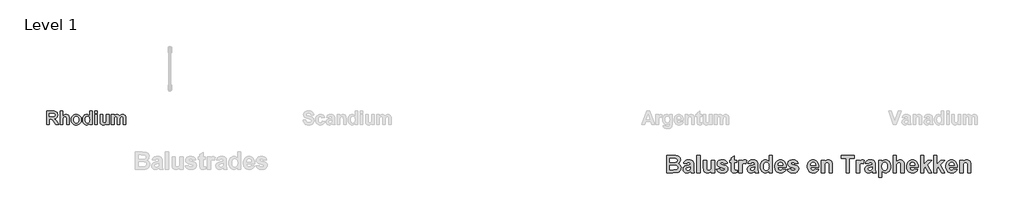
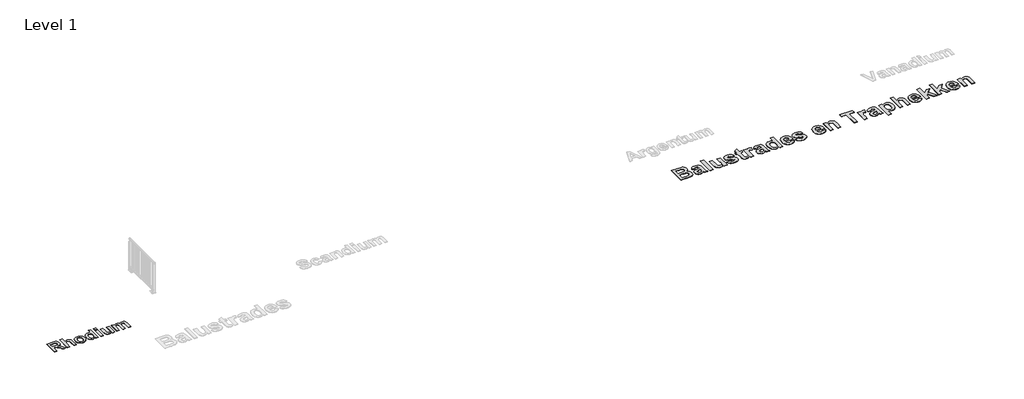
# One storey, part 11 of 20: 2 proxies.
"""IFC4 building model written with IfcOpenShell, lengths in millimetres."""

import ifcopenshell
import ifcopenshell.guid

model = None  # the IFC model being written
_history = None  # IfcOwnerHistory: only IFC2X3 demands one
_inside = {}  # id of a spatial element -> (the spatial element, [elements in it])
_under = {}  # id of a project, library or spatial element -> (it, [spatial elements below it])
_declared = {}  # id of a project -> (the project, [libraries it declares])
_typed = {}  # id of a type object -> (the type object, [elements of that type])
_made_of = {}  # id of a material, layer set ... -> (it, [elements and type objects made of it])


def new_model(schema):
    """Start an empty IFC model of exactly this schema.

    Asked for "IFC4X3", IfcOpenShell would pick the latest addendum, in which some entities
    have other attributes; the version numbers below select the first issue.
    IFC2X3 requires an IfcOwnerHistory on every rooted entity: one is made here for all.
    """
    global model, _history
    if schema == "IFC4X3":
        model = ifcopenshell.file(schema_version=(4, 3, 0, 0))
    else:
        model = ifcopenshell.file(schema=schema)
    _inside.clear()
    _under.clear()
    _declared.clear()
    _typed.clear()
    _made_of.clear()
    _history = None
    if model.schema == "IFC2X3":
        org = make("IfcOrganization", Name="unknown")
        user = make(
            "IfcPersonAndOrganization",
            ThePerson=make("IfcPerson", FamilyName="unknown"),
            TheOrganization=org,
        )
        app = make(
            "IfcApplication",
            ApplicationDeveloper=org,
            Version="unknown",
            ApplicationFullName="unknown",
            ApplicationIdentifier="unknown",
        )
        _history = make(
            "IfcOwnerHistory",
            OwningUser=user,
            OwningApplication=app,
            ChangeAction="ADDED",
            CreationDate=0,
        )
    return model


def make(cls, **values):
    """One entity of the class cls with the attributes given. An attribute that is None is left unset."""
    return model.create_entity(
        cls, **{name: value for name, value in values.items() if value is not None}
    )


def rooted(cls, **values):
    """An entity with a GlobalId (a new one), such as an element, a storey or a relation."""
    return make(cls, GlobalId=ifcopenshell.guid.new(), OwnerHistory=_history, **values)


def si_unit(unit_type, name, prefix=None):
    """IfcSIUnit, for example si_unit("LENGTHUNIT", "METRE", prefix="MILLI")."""
    return make("IfcSIUnit", UnitType=unit_type, Prefix=prefix, Name=name)


def assignment(units):
    """IfcUnitAssignment: the units of a project."""
    return None if units is None else make("IfcUnitAssignment", Units=units)


def point(xyz):
    """IfcCartesianPoint."""
    return None if xyz is None else make("IfcCartesianPoint", Coordinates=xyz)


def direction(xyz):
    """IfcDirection."""
    return None if xyz is None else make("IfcDirection", DirectionRatios=xyz)


def frame(location, z_axis=None, x_axis=None):
    """IfcAxis2Placement3D, a coordinate frame: its origin and axes. An axis left out is left unset."""
    return make(
        "IfcAxis2Placement3D",
        Location=point(location),
        Axis=direction(z_axis),
        RefDirection=direction(x_axis),
    )


def origin():
    """The frame at (0, 0, 0) with its axes left unset."""
    return frame((0.0, 0.0, 0.0))


def origin_with_axes():
    """The frame at (0, 0, 0) with the z axis (0, 0, 1) and the x axis (1, 0, 0) written out."""
    return frame((0.0, 0.0, 0.0), z_axis=(0.0, 0.0, 1.0), x_axis=(1.0, 0.0, 0.0))


def place(relative_to, where):
    """IfcLocalPlacement: puts the frame where relative to a parent placement (None: the world)."""
    return make(
        "IfcLocalPlacement", PlacementRelTo=relative_to, RelativePlacement=where
    )


def context(
    kind, dimensions, precision=None, world=None, true_north=None, identifier=None
):
    """IfcGeometricRepresentationContext, for example the 3D "Model" context."""
    return make(
        "IfcGeometricRepresentationContext",
        ContextIdentifier=identifier,
        ContextType=kind,
        CoordinateSpaceDimension=dimensions,
        Precision=precision,
        WorldCoordinateSystem=world,
        TrueNorth=true_north,
    )


def project(units=None, contexts=None):
    """IfcProject with its units and contexts."""
    return rooted(
        "IfcProject",
        Name="project",
        RepresentationContexts=contexts,
        UnitsInContext=assignment(units),
    )


def spatial(cls, under=None, at=None, **own):
    """A site, building, storey or space (cls), placed at a placement, below another one or the project."""
    s = rooted(cls, ObjectPlacement=at, **own)
    if under is not None:
        _under.setdefault(under.id(), (under, []))[1].append(s)
    return s


def polyline(points):
    """IfcPolyline through the points."""
    return make("IfcPolyline", Points=[point(p) for p in points])


def outline(outer, holes=None, kind="AREA"):
    """IfcArbitraryClosedProfileDef: a profile drawn as a closed curve; with holes, ...WithVoids."""
    if holes is None:
        return make("IfcArbitraryClosedProfileDef", ProfileType=kind, OuterCurve=outer)
    return make(
        "IfcArbitraryProfileDefWithVoids",
        ProfileType=kind,
        OuterCurve=outer,
        InnerCurves=holes,
    )


def extrude(swept, where, along, depth):
    """IfcExtrudedAreaSolid: the profile swept, set in the frame where, extruded along a direction by depth."""
    return make(
        "IfcExtrudedAreaSolid",
        SweptArea=swept,
        Position=where,
        ExtrudedDirection=direction(along),
        Depth=depth,
    )


def shape(context_of_items, identifier, shape_type, items):
    """IfcShapeRepresentation: the items that make up one representation, for example the "Body"."""
    return make(
        "IfcShapeRepresentation",
        ContextOfItems=context_of_items,
        RepresentationIdentifier=identifier,
        RepresentationType=shape_type,
        Items=items,
    )


def made_of(thing, what):
    """Note that an element or type object is made of a material, layer set ...; save() writes the relation."""
    if what is not None:
        _made_of.setdefault(what.id(), (what, []))[1].append(thing)
    return thing


def element(
    cls,
    number,
    at=None,
    inside=None,
    cuts=None,
    type_object=None,
    material=None,
    context=None,
    identifier="Body",
    shape_type=None,
    held_by="IfcProductDefinitionShape",
    body=None,
    shapes=None,
    **own,
):
    """One element of the class cls, such as IfcWall. Its Tag is "e" and its number.

    at: its placement. inside: the storey or other place that contains it. cuts: it is an
    opening in that element (IfcRelVoidsElement). A single representation is given by context,
    identifier, shape_type and body (its items); several are given by shapes. held_by: the class
    of the entity that holds the representations. save() writes the other relations.
    """
    e = rooted(cls, Tag="e%d" % number, ObjectPlacement=at, **own)
    if body is not None:
        shapes = [shape(context, identifier, shape_type, body)]
    if shapes is not None:
        e.Representation = make(held_by, Representations=shapes)
    if inside is not None:
        _inside.setdefault(inside.id(), (inside, []))[1].append(e)
    if cuts is not None:
        rooted(
            "IfcRelVoidsElement", RelatingBuildingElement=cuts, RelatedOpeningElement=e
        )
    if type_object is not None:
        _typed.setdefault(type_object.id(), (type_object, []))[1].append(e)
    return made_of(e, material)


def aggregate(whole, parts):
    """IfcRelAggregates: a whole, such as a stair, and the parts it consists of."""
    return rooted("IfcRelAggregates", RelatingObject=whole, RelatedObjects=parts)


def save(model, path):
    """Write the relations noted so far, then the file.

    IfcRelAggregates (storeys below a building ...), IfcRelContainedInSpatialStructure (elements
    in a storey), IfcRelDefinesByType, IfcRelAssociatesMaterial and IfcRelDeclares: one each for
    every whole, place, type object, material and project.
    """
    for whole, parts in _under.values():
        aggregate(whole, parts)
    for where, things in _inside.values():
        rooted(
            "IfcRelContainedInSpatialStructure",
            RelatedElements=things,
            RelatingStructure=where,
        )
    for kind, things in _typed.values():
        rooted("IfcRelDefinesByType", RelatedObjects=things, RelatingType=kind)
    for what, things in _made_of.values():
        rooted("IfcRelAssociatesMaterial", RelatedObjects=things, RelatingMaterial=what)
    for by, libraries in _declared.values():
        rooted("IfcRelDeclares", RelatingContext=by, RelatedDefinitions=libraries)
    model.write(path)


model = new_model("IFC4")

# Units and contexts
model_context = context("Model", 3, world=origin())
ifc_project = project(units=[si_unit("LENGTHUNIT", "METRE", prefix="MILLI")], contexts=[model_context])

# Site, building, storey
site = spatial("IfcSite", under=ifc_project)
building = spatial("IfcBuilding", under=site)
storey = spatial("IfcBuildingStorey", under=building, Name="Level 1", Elevation=0.0)

# Proxies
placement = place(None, origin())
element("IfcBuildingElementProxy", 1, Name="400mm", ObjectType="400mm", at=placement, inside=storey, context=model_context, shape_type="SweptSolid", body=[
    extrude(outline(polyline([(3664.8313524, -15738.0938306), (3664.8313524, -15338.0938306), (3833.0853206, -15338.0938306), (3887.8968285, -15340.7972036), (3925.3472254, -15348.9073226), (3951.2400825, -15363.9370845), (3971.3789714, -15387.3993861), (3984.3254, -15417.0868861), (3988.6408762, -15450.7922433), (3987.0814764, -15472.4254278), (3982.403277, -15492.0868861), (3974.6062779, -15509.7766183), (3963.6904793, -15525.4946242), (3949.6682819, -15538.8626798), (3932.5520865, -15549.5025607), (3912.341893, -15557.4142671), (3889.0377016, -15562.5977988), (3911.1359158, -15578.5204179), (3929.0178603, -15595.9311322), (3947.5198444, -15621.1543464), (3971.4781778, -15660.5144655), (4020.3869079, -15738.0938306), (3931.3988127, -15738.0938306), (3873.4623047, -15646.7247829), (3827.9761936, -15592.5085131), (3815.3521857, -15583.0963107), (3801.9841301, -15577.1811322), (3758.482146, -15573.0144655), (3741.0218285, -15573.0144655), (3741.0218285, -15738.0938306), (3664.8313524, -15738.0938306)]), holes=[polyline([(3741.0218285, -15503.1731956), (3803.8194476, -15503.1731956), (3853.3854198, -15502.0199218), (3880.059527, -15498.5601004), (3893.6259952, -15492.2852988), (3903.8690508, -15482.6870845), (3910.3050627, -15470.0258742), (3912.4504, -15454.5620845), (3909.623019, -15437.4365885), (3901.1408762, -15423.9569258), (3887.5000031, -15414.4455171), (3869.1964317, -15409.2247829), (3807.2916698, -15407.9351004), (3741.0218285, -15407.9351004), (3741.0218285, -15503.1731956)])]), origin_with_axes(), (0.0, 0.0, 1.0), 5.0),
    extrude(outline(polyline([(4141.0218285, -15338.0938306), (4141.0218285, -15482.9351004), (4160.1624535, -15464.0114893), (4181.076392, -15450.4946242), (4203.763644, -15442.3845052), (4228.2242095, -15439.6811322), (4253.0257968, -15442.1488901), (4275.248019, -15449.5521639), (4293.6011936, -15460.8120845), (4306.7956381, -15474.8497829), (4315.7242095, -15491.0824218), (4321.2797651, -15508.9271639), (4325.1488127, -15566.8636718), (4325.1488127, -15738.0938306), (4248.9583365, -15738.0938306), (4248.9583365, -15582.7366877), (4247.8918682, -15544.8770647), (4244.6924635, -15523.9569258), (4238.7896857, -15512.7838107), (4229.6130984, -15504.1652591), (4217.4603206, -15498.6593068), (4202.6289714, -15496.8239893), (4184.9702412, -15499.1801401), (4169.2956381, -15506.2485925), (4156.5848246, -15518.054148), (4147.8174635, -15534.6216083), (4142.7207373, -15558.1335131), (4141.0218285, -15590.772402), (4141.0218285, -15738.0938306), (4064.8313524, -15738.0938306), (4064.8313524, -15338.0938306), (4141.0218285, -15338.0938306)])), origin_with_axes(), (0.0, 0.0, 1.0), 5.0),
    extrude(outline(polyline([(4382.2916698, -15587.8954179), (4386.9915706, -15550.1101996), (4401.091273, -15513.5402591), (4423.7971262, -15481.8314298), (4454.3154793, -15458.6295449), (4490.7490111, -15444.4182353), (4531.2004, -15439.6811322), (4562.5527065, -15442.365904), (4590.935023, -15450.4202195), (4616.3473494, -15463.8440786), (4638.7896857, -15482.6374814), (4657.1273593, -15505.5355468), (4670.2256976, -15531.2733941), (4678.0847006, -15559.851023), (4680.7043682, -15591.2684337), (4678.0567988, -15622.9369605), (4670.1140904, -15651.771906), (4656.8762432, -15677.77327), (4638.3432571, -15700.9410528), (4615.7986143, -15719.9731708), (4590.5257968, -15733.5675409), (4562.5248047, -15741.7241629), (4531.7956381, -15744.4430369), (4492.9439516, -15739.9167472), (4455.9523841, -15726.3378782), (4424.2063524, -15704.0040488), (4401.091273, -15673.2128782), (4386.9915706, -15634.3735925), (4382.2916698, -15587.8954179)]), holes=[polyline([(4458.482146, -15592.0620845), (4463.7524833, -15632.7986917), (4470.3404049, -15649.1212363), (4479.5634952, -15662.7466083), (4490.7211093, -15673.4887958), (4503.1126024, -15681.1617869), (4516.7379744, -15685.7655816), (4531.5972254, -15687.3001798), (4546.450276, -15685.7655816), (4560.0570468, -15681.1617869), (4572.4175379, -15673.4887958), (4583.5317492, -15662.7466083), (4592.7114367, -15649.0840339), (4599.2683563, -15632.6498822), (4604.513892, -15591.4668464), (4599.2683563, -15551.1766679), (4592.7114367, -15534.9657304), (4583.5317492, -15521.3775607), (4572.4175379, -15510.6353732), (4560.0570468, -15502.9623822), (4546.450276, -15498.3585875), (4531.5972254, -15496.8239893), (4516.7379744, -15498.3585875), (4503.1126024, -15502.9623822), (4490.7211093, -15510.6353732), (4479.5634952, -15521.3775607), (4470.3404049, -15535.0029327), (4463.7524833, -15551.3254774), (4458.482146, -15592.0620845)])]), origin_with_axes(), (0.0, 0.0, 1.0), 5.0),
    extrude(outline(polyline([(4998.1646857, -15738.0938306), (4921.9742095, -15738.0938306), (4921.9742095, -15696.0303385), (4903.3854198, -15717.396906), (4881.7460349, -15732.4886718), (4858.4945468, -15741.4544456), (4835.0694476, -15744.4430369), (4811.9698692, -15741.913275), (4790.5878008, -15734.3239893), (4770.9232422, -15721.6751798), (4752.9761936, -15703.9668464), (4738.0239367, -15681.726023), (4727.3437531, -15655.4797433), (4720.935643, -15625.2280072), (4718.7996063, -15590.9708147), (4720.9325428, -15556.1369853), (4727.3313524, -15525.7426401), (4737.9960349, -15499.787779), (4752.9265904, -15478.272402), (4771.1185547, -15461.3887214), (4791.5674635, -15449.3289496), (4814.2733166, -15442.0930865), (4839.2361143, -15439.6811322), (4862.3387928, -15442.1798921), (4883.8293682, -15449.6761718), (4903.7078404, -15462.1699714), (4921.9742095, -15479.6612909), (4921.9742095, -15338.0938306), (4998.1646857, -15338.0938306), (4998.1646857, -15738.0938306)]), holes=[polyline([(4794.9900825, -15586.506529), (4798.1646857, -15627.9747829), (4807.6884952, -15656.1493861), (4817.7765408, -15669.7778583), (4829.6875031, -15679.5124814), (4843.4213821, -15685.3532552), (4858.9781778, -15687.3001798), (4883.2837333, -15681.459406), (4903.6210349, -15663.9370845), (4911.6505488, -15650.8139447), (4917.3859158, -15634.8076202), (4921.9742095, -15594.1454179), (4917.5223246, -15549.6141679), (4911.9574684, -15532.7893911), (4904.1666698, -15519.5918464), (4883.841769, -15502.5159536), (4858.482146, -15496.8239893), (4833.6805587, -15502.4539496), (4813.2440508, -15519.3438306), (4805.2579397, -15531.9864397), (4799.5535746, -15547.3944258), (4794.9900825, -15586.506529)])]), origin_with_axes(), (0.0, 0.0, 1.0), 5.0),
    extrude(outline(polyline([(5074.3551619, -15407.9351004), (5074.3551619, -15338.0938306), (5150.5456381, -15338.0938306), (5150.5456381, -15407.9351004), (5074.3551619, -15407.9351004)])), origin_with_axes(), (0.0, 0.0, 1.0), 5.0),
    extrude(outline(polyline([(5074.3551619, -15738.0938306), (5074.3551619, -15446.0303385), (5150.5456381, -15446.0303385), (5150.5456381, -15738.0938306), (5074.3551619, -15738.0938306)])), origin_with_axes(), (0.0, 0.0, 1.0), 5.0),
    extrude(outline(polyline([(5410.8630984, -15738.0938306), (5410.8630984, -15695.2366877), (5393.3159754, -15715.710398), (5371.0317492, -15731.2981956), (5345.6721262, -15741.1568266), (5318.8988127, -15744.4430369), (5292.435519, -15741.2188306), (5268.7996063, -15731.5462115), (5249.6527809, -15716.0328187), (5236.6567492, -15695.2862909), (5229.216273, -15667.4465091), (5226.7361143, -15630.6533544), (5226.7361143, -15446.0303385), (5302.9265904, -15446.0303385), (5302.9265904, -15581.0501798), (5303.9558563, -15631.037779), (5307.0436539, -15656.9926401), (5312.872027, -15669.4926401), (5322.123019, -15679.115656), (5334.5610151, -15685.2540488), (5349.9504, -15687.3001798), (5368.1919674, -15684.5720052), (5384.4246063, -15676.3874814), (5397.247027, -15664.147898), (5405.2579397, -15649.2545449), (5409.4618087, -15621.3155568), (5410.8630984, -15569.9390687), (5410.8630984, -15446.0303385), (5487.0535746, -15446.0303385), (5487.0535746, -15738.0938306), (5410.8630984, -15738.0938306)])), origin_with_axes(), (0.0, 0.0, 1.0), 5.0),
    extrude(outline(polyline([(5556.8948444, -15446.0303385), (5633.0853206, -15446.0303385), (5633.0853206, -15485.1176401), (5651.841521, -15465.2391679), (5672.2966301, -15451.0402591), (5694.450648, -15442.5209139), (5718.3035746, -15439.6811322), (5742.8447452, -15442.4713107), (5763.888892, -15450.8418464), (5781.4608166, -15464.8671441), (5795.5853206, -15484.6216083), (5815.091769, -15464.8671441), (5836.1111143, -15450.8418464), (5858.6185547, -15442.4713107), (5882.5892889, -15439.6811322), (5911.5327412, -15442.9425409), (5935.6646857, -15452.7267671), (5954.6627016, -15468.835398), (5968.2043682, -15491.070021), (5974.0079397, -15515.4995845), (5975.9424635, -15551.4866877), (5975.9424635, -15738.0938306), (5899.7519873, -15738.0938306), (5899.7519873, -15569.9390687), (5897.8174635, -15533.9519655), (5892.013892, -15513.490656), (5878.8690508, -15500.990656), (5860.0694476, -15496.8239893), (5844.8536738, -15499.3165488), (5830.5555587, -15506.7942274), (5818.6507968, -15519.0834139), (5810.6150825, -15536.0104972), (5806.0391897, -15560.8368861), (5804.513892, -15596.8239893), (5804.513892, -15738.0938306), (5728.3234158, -15738.0938306), (5728.3234158, -15576.8835131), (5724.3551619, -15521.4767671), (5719.3080389, -15510.6136718), (5712.1031778, -15502.9251798), (5702.3189516, -15498.3492869), (5689.5337333, -15496.8239893), (5673.2390904, -15499.2421441), (5658.6805587, -15506.4966083), (5646.9246063, -15518.3269655), (5639.0377016, -15534.4727988), (5634.5734158, -15558.7907552), (5633.0853206, -15595.1374814), (5633.0853206, -15738.0938306), (5556.8948444, -15738.0938306), (5556.8948444, -15446.0303385)])), origin_with_axes(), (0.0, 0.0, 1.0), 5.0),
])
element("IfcBuildingElementProxy", 2, Name="500mm", ObjectType="500mm", at=placement, inside=storey, context=model_context, shape_type="SweptSolid", body=[
    extrude(outline(polyline([(21753.1087653, -16640.2949086), (21958.3419003, -16640.2949086), (22011.494802, -16641.534988), (22049.1777137, -16645.2552261), (22077.5445292, -16652.9282171), (22102.7491423, -16666.0265554), (22124.4040282, -16684.441734), (22142.1216622, -16708.0652459), (22153.9334181, -16735.8895267), (22157.8706701, -16766.9070118), (22153.1738695, -16800.6991745), (22139.0834677, -16831.6391546), (22116.9325501, -16857.4638074), (22088.0542018, -16875.909988), (22124.5745391, -16893.8291348), (22139.2539786, -16906.2764314), (22151.5462653, -16921.0488769), (22168.1943308, -16955.7400971), (22173.743686, -16996.0736784), (22169.759931, -17029.5713223), (22157.8086661, -17062.1079046), (22138.9594598, -17090.9397499), (22114.2818804, -17113.3231824), (22083.4814092, -17128.8086735), (22046.2635272, -17136.9466943), (21923.9917018, -17140.2949086), (21753.1087653, -17140.2949086), (21753.1087653, -16640.2949086)]), holes=[polyline([(21848.3468606, -16926.0091943), (21848.3468606, -17052.9933213), (21949.041305, -17052.9933213), (22023.6940828, -17050.0171308), (22045.7364935, -17043.3672052), (22063.2526145, -17031.1059205), (22074.6923467, -17013.4812925), (22078.5055907, -16990.7413372), (22075.5604022, -16971.0240753), (22066.7248368, -16954.5310197), (22052.3399161, -16941.6651963), (22032.7466622, -16932.8296308), (21997.5284082, -16927.7143034), (21936.2684876, -16926.0091943), (21848.3468606, -16926.0091943)]), polyline([(21848.3468606, -16727.5964959), (21848.3468606, -16838.707607), (21921.0155114, -16838.707607), (22001.6206701, -16837.0955038), (22026.9957941, -16831.2981328), (22046.3255312, -16819.8584007), (22058.5558139, -16803.3343431), (22062.6325749, -16782.2839959), (22059.1138497, -16762.1482072), (22048.5576741, -16746.1356824), (22031.088056, -16734.9284652), (22006.8290034, -16729.2085991), (21912.0869399, -16727.5964959), (21848.3468606, -16727.5964959)])]), origin_with_axes(), (0.0, 0.0, 1.0), 5.0),
    extrude(outline(polyline([(22332.4738447, -16886.3266546), (22245.1722574, -16870.4536388), (22253.3761574, -16845.8690654), (22264.0989687, -16824.6947102), (22277.3406912, -16806.9305733), (22293.1013249, -16792.5766546), (22312.1791708, -16781.5089463), (22335.3725302, -16773.6034404), (22362.681403, -16768.8601368), (22394.1057891, -16767.2790356), (22447.212188, -16771.1077806), (22484.7555907, -16782.5940157), (22510.1152137, -16799.9551269), (22526.6702733, -16821.4084999), (22535.7848566, -16854.7511338), (22538.823051, -16907.7800277), (22538.823051, -17020.379234), (22540.0786314, -17062.1699086), (22543.8453725, -17091.3117737), (22551.0533338, -17114.9662876), (22562.6325749, -17140.2949086), (22467.3944796, -17140.2949086), (22458.4659082, -17110.0369721), (22455.1176939, -17098.0082023), (22430.4711165, -17119.942106), (22404.150432, -17135.644611), (22376.0936364, -17145.0847152), (22346.2387256, -17148.2314165), (22320.5187046, -17146.3209193), (22297.6741175, -17140.5894275), (22277.7049645, -17131.0369411), (22260.6112455, -17117.6634602), (22246.9122438, -17101.3757928), (22237.1272425, -17083.0807469), (22231.2562418, -17062.7783225), (22229.2992415, -17040.4685197), (22232.7869647, -17011.2646507), (22243.2501344, -16985.4089959), (22260.0067068, -16964.0486288), (22282.3746383, -16948.3306229), (22313.0976046, -16936.2708511), (22354.9192812, -16925.8851864), (22409.0797475, -16913.6394027), (22443.5849558, -16902.1996705), (22443.5849558, -16892.1550277), (22440.6242663, -16867.4154443), (22431.7421979, -16850.9843927), (22414.6756056, -16841.7768034), (22387.1613447, -16838.707607), (22367.4130808, -16841.3427757), (22352.5631304, -16849.2482816), (22341.3404122, -16863.7882122), (22332.4738447, -16886.3266546)]), holes=[polyline([(22443.5849558, -16973.6282419), (22389.8895193, -16986.8350872), (22359.5075749, -16994.4150723), (22341.7744399, -17001.9020515), (22328.8466126, -17015.4499185), (22324.5373368, -17032.2839959), (22327.994058, -17049.1645763), (22338.3642217, -17063.5959999), (22354.0667266, -17073.5011338), (22373.5204717, -17076.8028451), (22396.8649657, -17072.9585991), (22419.0313844, -17061.425861), (22432.3622376, -17048.4670316), (22440.1127336, -17032.9040356), (22443.5849558, -16990.8653451), (22443.5849558, -16973.6282419)])]), origin_with_axes(), (0.0, 0.0, 1.0), 5.0),
    extrude(outline(polyline([(22634.0611463, -17140.2949086), (22634.0611463, -16640.2949086), (22729.2992415, -16640.2949086), (22729.2992415, -17140.2949086), (22634.0611463, -17140.2949086)])), origin_with_axes(), (0.0, 0.0, 1.0), 5.0),
    extrude(outline(polyline([(23054.6960669, -17140.2949086), (23054.6960669, -17086.72348), (23032.7621631, -17112.3156179), (23004.9068804, -17131.800365), (22973.2073516, -17144.1236536), (22939.7407098, -17148.2314165), (22906.6615927, -17144.2011586), (22877.1167018, -17132.1103848), (22853.1831701, -17112.7186437), (22836.9381304, -17086.785484), (22827.6375352, -17051.9857568), (22824.5373368, -17005.9943134), (22824.5373368, -16775.2155435), (22919.775432, -16775.2155435), (22919.775432, -16943.9903451), (22921.0620143, -17006.4748441), (22924.9217614, -17038.9184205), (22932.2072276, -17054.5434205), (22943.7709677, -17066.5721904), (22959.3184628, -17074.2451814), (22978.5551939, -17076.8028451), (23001.3571532, -17073.3926269), (23021.6479518, -17063.1619721), (23037.6759776, -17047.8624929), (23047.6896185, -17029.2458015), (23052.9444548, -16994.3220663), (23054.6960669, -16930.1014562), (23054.6960669, -16775.2155435), (23149.9341622, -16775.2155435), (23149.9341622, -17140.2949086), (23054.6960669, -17140.2949086)])), origin_with_axes(), (0.0, 0.0, 1.0), 5.0),
    extrude(outline(polyline([(23205.4897177, -17037.1203054), (23300.727813, -17021.2472896), (23309.7958933, -17045.2428253), (23325.0953725, -17062.6659404), (23347.1532842, -17073.2686189), (23376.4966622, -17076.8028451), (23408.3356999, -17073.4236288), (23431.1841622, -17063.28598), (23440.4847574, -17052.2492737), (23443.5849558, -17037.988361), (23441.9418506, -17028.12973), (23437.0125352, -17020.1312181), (23425.7588149, -17013.5897995), (23405.8865431, -17007.6064165), (23313.9036562, -16983.238857), (23283.3744523, -16971.8456279), (23263.1534082, -16960.9794324), (23244.869988, -16944.7886462), (23231.8104022, -16925.7301765), (23223.9746507, -16903.8040232), (23221.3627336, -16879.0101864), (23223.6026269, -16856.3244845), (23230.322307, -16835.5144027), (23241.5217738, -16816.5799408), (23257.2010272, -16799.5210991), (23277.5925823, -16785.4151963), (23302.9289538, -16775.3395515), (23333.2101418, -16769.2941646), (23368.4361463, -16767.2790356), (23401.9725426, -16768.9066398), (23430.9051443, -16773.7894523), (23455.2339513, -16781.9274731), (23474.9589637, -16793.3207023), (23491.025742, -16807.9071358), (23504.3798467, -16825.6247697), (23515.0212777, -16846.473604), (23522.9500352, -16870.4536388), (23427.7119399, -16886.3266546), (23420.7054915, -16865.9583511), (23409.3587653, -16850.9843927), (23392.9897177, -16841.7768034), (23370.916305, -16838.707607), (23343.7895689, -16841.3117737), (23325.6534082, -16849.1242737), (23318.8639737, -16857.6808213), (23316.6008288, -16868.4695118), (23318.8639737, -16877.801109), (23325.6534082, -16885.706615), (23352.7956453, -16897.0843431), (23409.916801, -16912.3683213), (23471.1302187, -16931.6205534), (23493.5640295, -16942.7580162), (23510.5492415, -16954.9030435), (23522.9190332, -16969.0011958), (23531.7545987, -16985.6260098), (23537.055938, -17004.7774855), (23538.823051, -17026.4556229), (23536.2615121, -17050.5635408), (23528.5768953, -17072.9120961), (23515.7692006, -17093.5012888), (23497.838428, -17112.3311189), (23474.885334, -17128.0374991), (23447.0106751, -17139.2563421), (23414.2144511, -17145.9876479), (23376.4966622, -17148.2314165), (23341.9410756, -17146.363547), (23311.1909826, -17140.7599384), (23284.2463831, -17131.4205907), (23261.1072772, -17118.3455038), (23241.7039104, -17102.0617117), (23225.9665282, -17083.0962479), (23213.8951307, -17061.4491125), (23205.4897177, -17037.1203054)])), origin_with_axes(), (0.0, 0.0, 1.0), 5.0),
    extrude(outline(polyline([(23800.727813, -16775.2155435), (23800.727813, -16846.644115), (23729.2992415, -16846.644115), (23729.2992415, -17003.2661388), (23731.4693804, -17058.6356824), (23741.3280114, -17071.6565157), (23760.0532098, -17076.8028451), (23804.6960669, -17067.6262578), (23808.6643209, -17135.3345911), (23771.9269697, -17145.0072102), (23730.6633288, -17148.2314165), (23705.3037058, -17145.9992737), (23682.5482495, -17139.3028451), (23663.96256, -17129.0721904), (23651.1122376, -17116.2373689), (23642.6331949, -17099.5893034), (23637.1613447, -17077.9189165), (23634.0611463, -17008.59848), (23634.0611463, -16846.644115), (23586.4420987, -16846.644115), (23586.4420987, -16775.2155435), (23634.0611463, -16775.2155435), (23634.0611463, -16703.7869721), (23729.2992415, -16648.2314165), (23729.2992415, -16775.2155435), (23800.727813, -16775.2155435)])), origin_with_axes(), (0.0, 0.0, 1.0), 5.0),
    extrude(outline(polyline([(23951.5214637, -17140.2949086), (23856.2833685, -17140.2949086), (23856.2833685, -16775.2155435), (23951.5214637, -16775.2155435), (23951.5214637, -16826.0587975), (23971.6417514, -16796.1573838), (23989.5919003, -16778.6257618), (24007.635055, -16770.1157171), (24028.0343606, -16767.2790356), (24057.7652633, -16772.301357), (24086.4420987, -16787.3683213), (24058.6643209, -16878.0181229), (24035.7228526, -16866.3923788), (24014.5174955, -16862.5171308), (23996.2108239, -16865.2298044), (23980.9733487, -16873.3678253), (23968.7275649, -16888.5742985), (23959.3959677, -16912.4923292), (23953.4900897, -16956.2671308), (23951.5214637, -17031.0439165), (23951.5214637, -17140.2949086)])), origin_with_axes(), (0.0, 0.0, 1.0), 5.0),
    extrude(outline(polyline([(24205.4897177, -16886.3266546), (24118.1881304, -16870.4536388), (24126.3920305, -16845.8690654), (24137.1148417, -16824.6947102), (24150.3565642, -16806.9305733), (24166.1171979, -16792.5766546), (24185.1950439, -16781.5089463), (24208.3884032, -16773.6034404), (24235.697276, -16768.8601368), (24267.1216622, -16767.2790356), (24320.228061, -16771.1077806), (24357.7714637, -16782.5940157), (24383.1310868, -16799.9551269), (24399.6861463, -16821.4084999), (24408.8007296, -16854.7511338), (24411.8389241, -16907.7800277), (24411.8389241, -17020.379234), (24413.0945044, -17062.1699086), (24416.8612455, -17091.3117737), (24424.0692068, -17114.9662876), (24435.6484479, -17140.2949086), (24340.4103526, -17140.2949086), (24331.4817812, -17110.0369721), (24328.1335669, -17098.0082023), (24303.4869895, -17119.942106), (24277.166305, -17135.644611), (24249.1095094, -17145.0847152), (24219.2545987, -17148.2314165), (24193.5345776, -17146.3209193), (24170.6899905, -17140.5894275), (24150.7208375, -17131.0369411), (24133.6271185, -17117.6634602), (24119.9281168, -17101.3757928), (24110.1431155, -17083.0807469), (24104.2721148, -17062.7783225), (24102.3151145, -17040.4685197), (24105.8028378, -17011.2646507), (24116.2660074, -16985.4089959), (24133.0225798, -16964.0486288), (24155.3905114, -16948.3306229), (24186.1134776, -16936.2708511), (24227.9351542, -16925.8851864), (24282.0956205, -16913.6394027), (24316.6008288, -16902.1996705), (24316.6008288, -16892.1550277), (24313.6401393, -16867.4154443), (24304.7580709, -16850.9843927), (24287.6914786, -16841.7768034), (24260.1772177, -16838.707607), (24240.4289538, -16841.3427757), (24225.5790034, -16849.2482816), (24214.3562852, -16863.7882122), (24205.4897177, -16886.3266546)]), holes=[polyline([(24316.6008288, -16973.6282419), (24262.9053923, -16986.8350872), (24232.5234479, -16994.4150723), (24214.790313, -17001.9020515), (24201.8624856, -17015.4499185), (24197.5532098, -17032.2839959), (24201.009931, -17049.1645763), (24211.3800947, -17063.5959999), (24227.0825997, -17073.5011338), (24246.5363447, -17076.8028451), (24269.8808387, -17072.9585991), (24292.0472574, -17061.425861), (24305.3781106, -17048.4670316), (24313.1286066, -17032.9040356), (24316.6008288, -16990.8653451), (24316.6008288, -16973.6282419)])]), origin_with_axes(), (0.0, 0.0, 1.0), 5.0),
    extrude(outline(polyline([(24832.4738447, -17140.2949086), (24737.2357495, -17140.2949086), (24737.2357495, -17087.7155435), (24713.9997624, -17114.4237529), (24686.9505312, -17133.2884602), (24657.8861711, -17144.4956775), (24628.6047971, -17148.2314165), (24599.7303241, -17145.0692142), (24573.0027385, -17135.582607), (24548.4220404, -17119.7715951), (24525.9882296, -17097.6361784), (24507.2979084, -17069.8351492), (24493.947679, -17037.0272995), (24485.9375414, -16999.2126293), (24483.2674955, -16956.3911388), (24485.9336661, -16912.8488521), (24493.932178, -16874.8559205), (24507.2630312, -16842.4123441), (24525.9262256, -16815.5181229), (24548.666181, -16794.4135222), (24574.2273169, -16779.3388074), (24602.6096334, -16770.2939785), (24633.8131304, -16767.2790356), (24662.6914786, -16770.4024855), (24689.5546979, -16779.7728352), (24714.4027881, -16795.3900847), (24737.2357495, -16817.254234), (24737.2357495, -16640.2949086), (24832.4738447, -16640.2949086), (24832.4738447, -17140.2949086)]), holes=[polyline([(24578.5055907, -16950.8107816), (24582.4738447, -17002.6460991), (24587.4341622, -17022.332359), (24594.3786066, -17037.8643531), (24606.9886636, -17054.8999433), (24621.8773665, -17067.0682221), (24639.0447152, -17074.3691894), (24658.4907098, -17076.8028451), (24674.3017217, -17074.9776033), (24688.8726542, -17069.5018779), (24702.2035074, -17060.3756688), (24714.2942812, -17047.5989761), (24724.3311736, -17031.1950512), (24731.5003824, -17011.1871457), (24735.8019077, -16987.5752595), (24737.2357495, -16960.3593927), (24735.8445354, -16930.2603414), (24731.6708933, -16904.6953302), (24724.7148231, -16883.6643593), (24714.9763249, -16867.1674284), (24703.0599372, -16854.7162566), (24689.5701989, -16845.8225624), (24674.5071098, -16840.4863459), (24657.8706701, -16838.707607), (24641.6876344, -16840.4669696), (24626.868686, -16845.7450574), (24613.4138249, -16854.5418704), (24601.323051, -16866.8574086), (24591.3404122, -16882.66067), (24584.2099558, -16901.9206527), (24579.931682, -16924.6373565), (24578.5055907, -16950.8107816)])]), origin_with_axes(), (0.0, 0.0, 1.0), 5.0),
    extrude(outline(polyline([(25134.0611463, -17029.1837975), (25229.2992415, -17045.0568134), (25219.0065828, -17068.784957), (25206.1097574, -17089.4981576), (25190.6087653, -17107.1964153), (25172.5036066, -17121.87973), (25151.8795367, -17133.4085929), (25128.821811, -17141.6434949), (25103.3304295, -17146.5844361), (25075.4053923, -17148.2314165), (25032.2738819, -17144.348418), (24995.1412554, -17132.6994225), (24964.0075129, -17113.2844299), (24938.8726542, -17086.1034404), (24923.5731751, -17059.6044944), (24912.6449756, -17029.8348392), (24906.088056, -16996.7944746), (24903.9024161, -16960.4834007), (24906.8011016, -16917.6696606), (24915.4971582, -16879.754234), (24929.9905858, -16846.7371209), (24950.2813844, -16818.6183213), (24975.0054667, -16796.1573838), (25002.7987455, -16780.113857), (25033.6612207, -16770.4877409), (25067.5928923, -16767.2790356), (25105.2990555, -16770.5729964), (25138.8044499, -16780.4548788), (25168.1090754, -16796.9246829), (25193.212932, -16819.9824086), (25213.2169623, -16849.8450698), (25227.2221086, -16886.7296804), (25235.228371, -16930.6362405), (25237.2357495, -16981.5647499), (24999.1405114, -16981.5647499), (25005.2479022, -17021.6813173), (25012.1380932, -17037.97286), (25021.5859479, -17051.7532419), (25032.9714265, -17062.7124433), (25045.6744895, -17070.5404443), (25059.6951369, -17075.2372449), (25075.0333685, -17076.8028451), (25095.0296483, -17073.9816646), (25111.6157098, -17065.5181229), (25124.6675451, -17050.7921804), (25134.0611463, -17029.1837975)]), holes=[polyline([(25141.9976542, -16926.0091943), (25136.2002832, -16888.3572846), (25129.697617, -16873.379451), (25120.7922971, -16860.9670316), (25098.4088645, -16844.2724632), (25071.6851542, -16838.707607), (25043.4733487, -16844.566982), (25020.5938844, -16862.145107), (25011.8203229, -16874.972178), (25005.5889241, -16889.8918828), (25000.7526145, -16926.0091943), (25141.9976542, -16926.0091943)])]), origin_with_axes(), (0.0, 0.0, 1.0), 5.0),
    extrude(outline(polyline([(25268.9817812, -17037.1203054), (25364.2198764, -17021.2472896), (25373.2879568, -17045.2428253), (25388.587436, -17062.6659404), (25410.6453477, -17073.2686189), (25439.9887256, -17076.8028451), (25471.8277633, -17073.4236288), (25494.6762256, -17063.28598), (25503.9768209, -17052.2492737), (25507.0770193, -17037.988361), (25505.4339141, -17028.12973), (25500.5045987, -17020.1312181), (25489.2508784, -17013.5897995), (25469.3786066, -17007.6064165), (25377.3957197, -16983.238857), (25346.8665158, -16971.8456279), (25326.6454717, -16960.9794324), (25308.3620515, -16944.7886462), (25295.3024657, -16925.7301765), (25287.4667142, -16903.8040232), (25284.8547971, -16879.0101864), (25287.0946904, -16856.3244845), (25293.8143705, -16835.5144027), (25305.0138373, -16816.5799408), (25320.6930907, -16799.5210991), (25341.0846458, -16785.4151963), (25366.4210173, -16775.3395515), (25396.7022053, -16769.2941646), (25431.9282098, -16767.2790356), (25465.4646061, -16768.9066398), (25494.3972078, -16773.7894523), (25518.7260148, -16781.9274731), (25538.4510272, -16793.3207023), (25554.5178055, -16807.9071358), (25567.8719102, -16825.6247697), (25578.5133412, -16846.473604), (25586.4420987, -16870.4536388), (25491.2040034, -16886.3266546), (25484.197555, -16865.9583511), (25472.8508288, -16850.9843927), (25456.4817812, -16841.7768034), (25434.4083685, -16838.707607), (25407.2816324, -16841.3117737), (25389.1454717, -16849.1242737), (25382.3560372, -16857.6808213), (25380.0928923, -16868.4695118), (25382.3560372, -16877.801109), (25389.1454717, -16885.706615), (25416.2877088, -16897.0843431), (25473.4088645, -16912.3683213), (25534.6222822, -16931.6205534), (25557.056093, -16942.7580162), (25574.041305, -16954.9030435), (25586.4110967, -16969.0011958), (25595.2466622, -16985.6260098), (25600.5480014, -17004.7774855), (25602.3151145, -17026.4556229), (25599.7535756, -17050.5635408), (25592.0689588, -17072.9120961), (25579.2612641, -17093.5012888), (25561.3304915, -17112.3311189), (25538.3773975, -17128.0374991), (25510.5027385, -17139.2563421), (25477.7065146, -17145.9876479), (25439.9887256, -17148.2314165), (25405.4331391, -17146.363547), (25374.6830461, -17140.7599384), (25347.7384466, -17131.4205907), (25324.5993407, -17118.3455038), (25305.1959739, -17102.0617117), (25289.4585917, -17083.0962479), (25277.3871942, -17061.4491125), (25268.9817812, -17037.1203054)])), origin_with_axes(), (0.0, 0.0, 1.0), 5.0),
    extrude(outline(polyline([(26086.4420987, -17029.1837975), (26181.6801939, -17045.0568134), (26171.3875352, -17068.784957), (26158.4907098, -17089.4981576), (26142.9897177, -17107.1964153), (26124.884559, -17121.87973), (26104.260489, -17133.4085929), (26081.2027633, -17141.6434949), (26055.7113819, -17146.5844361), (26027.7863447, -17148.2314165), (25984.6548343, -17144.348418), (25947.5222078, -17132.6994225), (25916.3884652, -17113.2844299), (25891.2536066, -17086.1034404), (25875.9541274, -17059.6044944), (25865.025928, -17029.8348392), (25858.4690084, -16996.7944746), (25856.2833685, -16960.4834007), (25859.182054, -16917.6696606), (25867.8781106, -16879.754234), (25882.3715381, -16846.7371209), (25902.6623368, -16818.6183213), (25927.3864191, -16796.1573838), (25955.1796979, -16780.113857), (25986.0421731, -16770.4877409), (26019.9738447, -16767.2790356), (26057.6800079, -16770.5729964), (26091.1854022, -16780.4548788), (26120.4900277, -16796.9246829), (26145.5938844, -16819.9824086), (26165.5979146, -16849.8450698), (26179.603061, -16886.7296804), (26187.6093234, -16930.6362405), (26189.6167018, -16981.5647499), (25951.5214637, -16981.5647499), (25957.6288546, -17021.6813173), (25964.5190456, -17037.97286), (25973.9669003, -17051.7532419), (25985.3523789, -17062.7124433), (25998.0554419, -17070.5404443), (26012.0760892, -17075.2372449), (26027.4143209, -17076.8028451), (26047.4106006, -17073.9816646), (26063.9966622, -17065.5181229), (26077.0484975, -17050.7921804), (26086.4420987, -17029.1837975)]), holes=[polyline([(26094.3786066, -16926.0091943), (26088.5812356, -16888.3572846), (26082.0785694, -16873.379451), (26073.1732495, -16860.9670316), (26050.7898169, -16844.2724632), (26024.0661066, -16838.707607), (25995.854301, -16844.566982), (25972.9748368, -16862.145107), (25964.2012753, -16874.972178), (25957.9698764, -16889.8918828), (25953.1335669, -16926.0091943), (26094.3786066, -16926.0091943)])]), origin_with_axes(), (0.0, 0.0, 1.0), 5.0),
    extrude(outline(polyline([(26586.4420987, -17140.2949086), (26491.2040034, -17140.2949086), (26491.2040034, -16952.6709007), (26489.7159082, -16903.5637578), (26485.2516225, -16875.5379642), (26477.4081205, -16860.0059701), (26465.7823764, -16848.3802261), (26450.932426, -16841.1257618), (26433.416305, -16838.707607), (26410.3663298, -16842.1643282), (26389.8275153, -16852.5344919), (26373.5824756, -16868.6245217), (26363.4138249, -16889.2408411), (26358.0659826, -16921.8084255), (26356.2833685, -16973.7522499), (26356.2833685, -17140.2949086), (26261.0452733, -17140.2949086), (26261.0452733, -16775.2155435), (26356.2833685, -16775.2155435), (26356.2833685, -16827.7949086), (26380.3796607, -16801.3192142), (26407.4056403, -16782.4080038), (26437.3613075, -16771.0612777), (26470.2466622, -16767.2790356), (26499.2025153, -16770.1622201), (26525.5542018, -16778.8117737), (26547.5656106, -16791.925613), (26563.5006304, -16808.2016546), (26574.4288298, -16827.2523739), (26581.4197772, -16848.6902459), (26585.1865183, -16876.2355088), (26586.4420987, -16913.6084007), (26586.4420987, -17140.2949086)])), origin_with_axes(), (0.0, 0.0, 1.0), 5.0),
    extrude(outline(polyline([(26983.2674955, -17140.2949086), (26983.2674955, -16727.5964959), (26840.4103526, -16727.5964959), (26840.4103526, -16640.2949086), (27221.3627336, -16640.2949086), (27221.3627336, -16727.5964959), (27078.5055907, -16727.5964959), (27078.5055907, -17140.2949086), (26983.2674955, -17140.2949086)])), origin_with_axes(), (0.0, 0.0, 1.0), 5.0),
    extrude(outline(polyline([(27380.0928923, -17140.2949086), (27284.8547971, -17140.2949086), (27284.8547971, -16775.2155435), (27380.0928923, -16775.2155435), (27380.0928923, -16826.0587975), (27400.21318, -16796.1573838), (27418.1633288, -16778.6257618), (27436.2064836, -16770.1157171), (27456.6057891, -16767.2790356), (27486.3366919, -16772.301357), (27515.0135272, -16787.3683213), (27487.2357495, -16878.0181229), (27464.2942812, -16866.3923788), (27443.0889241, -16862.5171308), (27424.7822524, -16865.2298044), (27409.5447772, -16873.3678253), (27397.2989935, -16888.5742985), (27387.9673963, -16912.4923292), (27382.0615183, -16956.2671308), (27380.0928923, -17031.0439165), (27380.0928923, -17140.2949086)])), origin_with_axes(), (0.0, 0.0, 1.0), 5.0),
    extrude(outline(polyline([(27634.0611463, -16886.3266546), (27546.759559, -16870.4536388), (27554.963459, -16845.8690654), (27565.6862703, -16824.6947102), (27578.9279928, -16806.9305733), (27594.6886264, -16792.5766546), (27613.7664724, -16781.5089463), (27636.9598318, -16773.6034404), (27664.2687046, -16768.8601368), (27695.6930907, -16767.2790356), (27748.7994895, -16771.1077806), (27786.3428923, -16782.5940157), (27811.7025153, -16799.9551269), (27828.2575749, -16821.4084999), (27837.3721582, -16854.7511338), (27840.4103526, -16907.7800277), (27840.4103526, -17020.379234), (27841.665933, -17062.1699086), (27845.4326741, -17091.3117737), (27852.6406354, -17114.9662876), (27864.2198764, -17140.2949086), (27768.9817812, -17140.2949086), (27760.0532098, -17110.0369721), (27756.7049955, -17098.0082023), (27732.0584181, -17119.942106), (27705.7377336, -17135.644611), (27677.680938, -17145.0847152), (27647.8260272, -17148.2314165), (27622.1060062, -17146.3209193), (27599.2614191, -17140.5894275), (27579.2922661, -17131.0369411), (27562.1985471, -17117.6634602), (27548.4995453, -17101.3757928), (27538.7145441, -17083.0807469), (27532.8435434, -17062.7783225), (27530.8865431, -17040.4685197), (27534.3742663, -17011.2646507), (27544.837436, -16985.4089959), (27561.5940084, -16964.0486288), (27583.9619399, -16948.3306229), (27614.6849062, -16936.2708511), (27656.5065828, -16925.8851864), (27710.6670491, -16913.6394027), (27745.1722574, -16902.1996705), (27745.1722574, -16892.1550277), (27742.2115679, -16867.4154443), (27733.3294995, -16850.9843927), (27716.2629072, -16841.7768034), (27688.7486463, -16838.707607), (27669.0003824, -16841.3427757), (27654.150432, -16849.2482816), (27642.9277137, -16863.7882122), (27634.0611463, -16886.3266546)]), holes=[polyline([(27745.1722574, -16973.6282419), (27691.4768209, -16986.8350872), (27661.0948764, -16994.4150723), (27643.3617415, -17001.9020515), (27630.4339141, -17015.4499185), (27626.1246383, -17032.2839959), (27629.5813596, -17049.1645763), (27639.9515233, -17063.5959999), (27655.6540282, -17073.5011338), (27675.1077733, -17076.8028451), (27698.4522673, -17072.9585991), (27720.618686, -17061.425861), (27733.9495391, -17048.4670316), (27741.7000352, -17032.9040356), (27745.1722574, -16990.8653451), (27745.1722574, -16973.6282419)])]), origin_with_axes(), (0.0, 0.0, 1.0), 5.0),
    extrude(outline(polyline([(27935.6484479, -16775.2155435), (28030.8865431, -16775.2155435), (28030.8865431, -16827.7949086), (28050.572803, -16803.3343431), (28076.1494399, -16784.020107), (28106.2523665, -16771.4643034), (28139.5174955, -16767.2790356), (28168.6942378, -16770.3908597), (28195.5845838, -16779.7263322), (28220.1885334, -16795.285453), (28242.5060868, -16817.0682221), (28261.0336475, -16844.4003464), (28274.2676195, -16876.6075326), (28282.2080027, -16913.6897809), (28284.8547971, -16955.6470911), (28282.1227472, -16998.7941026), (28273.9265977, -17036.8412876), (28260.2663484, -17069.7886462), (28241.1419995, -17097.6361784), (28218.1269015, -17119.7715951), (28192.7944052, -17135.582607), (28165.1445106, -17145.0692142), (28135.1772177, -17148.2314165), (28106.9344102, -17145.2862281), (28081.4817812, -17136.4506626), (28056.8042018, -17120.4536388), (28030.8865431, -17096.0240753), (28030.8865431, -17275.2155435), (27935.6484479, -17275.2155435), (27935.6484479, -16775.2155435)]), holes=[polyline([(28030.8865431, -16951.4308213), (28032.3785136, -16981.394239), (28036.8544251, -17007.1723888), (28044.3142775, -17028.7652707), (28054.7580709, -17046.1728848), (28067.3487517, -17059.5734924), (28081.2492663, -17069.145355), (28096.4596148, -17074.8884726), (28112.9797971, -17076.8028451), (28128.7249298, -17075.0473578), (28143.0982247, -17069.7808957), (28156.0996818, -17061.003459), (28167.729301, -17048.7150475), (28177.3050389, -17032.4196296), (28184.1448516, -17011.6211735), (28189.6167018, -16956.5151467), (28188.2099868, -16928.551357), (28183.9898417, -16904.4318134), (28176.9562666, -16884.1565157), (28167.1092614, -16867.7254642), (28155.1773727, -16855.0301517), (28141.8891473, -16845.9620713), (28127.244585, -16840.5212231), (28111.243686, -16838.707607), (28094.6770007, -16840.4863459), (28079.5751592, -16845.8225624), (28065.9381614, -16854.7162566), (28053.7660074, -16867.1674284), (28043.7562418, -16883.1063235), (28036.6064092, -16902.4631874), (28032.3165096, -16925.23802), (28030.8865431, -16951.4308213)])]), origin_with_axes(), (0.0, 0.0, 1.0), 5.0),
    extrude(outline(polyline([(28451.5214637, -16640.2949086), (28451.5214637, -16821.3464959), (28475.447245, -16797.691982), (28501.5896681, -16780.7959007), (28529.9487331, -16770.6582519), (28560.5244399, -16767.2790356), (28591.5264241, -16770.363733), (28619.3042018, -16779.6178253), (28642.2456701, -16793.6927261), (28658.7387256, -16811.2398491), (28669.8994399, -16831.5306477), (28676.8438844, -16853.8365753), (28680.4711165, -16883.59848), (28681.6801939, -16926.2572102), (28681.6801939, -17140.2949086), (28586.4420987, -17140.2949086), (28586.4420987, -16946.09848), (28585.1090133, -16898.7739513), (28581.1097574, -16872.6237777), (28573.7312852, -16858.6573838), (28562.260551, -16847.8841943), (28547.0695788, -16841.0017538), (28528.5303923, -16838.707607), (28506.4569796, -16841.6527955), (28486.8637256, -16850.488361), (28470.9752088, -16865.2453054), (28460.0160074, -16885.9546308), (28453.6450997, -16915.3445118), (28451.5214637, -16956.1431229), (28451.5214637, -17140.2949086), (28356.2833685, -17140.2949086), (28356.2833685, -16640.2949086), (28451.5214637, -16640.2949086)])), origin_with_axes(), (0.0, 0.0, 1.0), 5.0),
    extrude(outline(polyline([(28983.2674955, -17029.1837975), (29078.5055907, -17045.0568134), (29068.212932, -17068.784957), (29055.3161066, -17089.4981576), (29039.8151145, -17107.1964153), (29021.7099558, -17121.87973), (29001.0858859, -17133.4085929), (28978.0281602, -17141.6434949), (28952.5367787, -17146.5844361), (28924.6117415, -17148.2314165), (28881.4802311, -17144.348418), (28844.3476046, -17132.6994225), (28813.2138621, -17113.2844299), (28788.0790034, -17086.1034404), (28772.7795243, -17059.6044944), (28761.8513249, -17029.8348392), (28755.2944052, -16996.7944746), (28753.1087653, -16960.4834007), (28756.0074508, -16917.6696606), (28764.7035074, -16879.754234), (28779.196935, -16846.7371209), (28799.4877336, -16818.6183213), (28824.2118159, -16796.1573838), (28852.0050947, -16780.113857), (28882.8675699, -16770.4877409), (28916.7992415, -16767.2790356), (28954.5054047, -16770.5729964), (28988.0107991, -16780.4548788), (29017.3154246, -16796.9246829), (29042.4192812, -16819.9824086), (29062.4233115, -16849.8450698), (29076.4284578, -16886.7296804), (29084.4347202, -16930.6362405), (29086.4420987, -16981.5647499), (28848.3468606, -16981.5647499), (28854.4542514, -17021.6813173), (28861.3444424, -17037.97286), (28870.7922971, -17051.7532419), (28882.1777757, -17062.7124433), (28894.8808387, -17070.5404443), (28908.9014861, -17075.2372449), (28924.2397177, -17076.8028451), (28944.2359975, -17073.9816646), (28960.822059, -17065.5181229), (28973.8738943, -17050.7921804), (28983.2674955, -17029.1837975)]), holes=[polyline([(28991.2040034, -16926.0091943), (28985.4066324, -16888.3572846), (28978.9039662, -16873.379451), (28969.9986463, -16860.9670316), (28947.6152137, -16844.2724632), (28920.8915034, -16838.707607), (28892.6796979, -16844.566982), (28869.8002336, -16862.145107), (28861.0266721, -16874.972178), (28854.7952733, -16889.8918828), (28849.9589637, -16926.0091943), (28991.2040034, -16926.0091943)])]), origin_with_axes(), (0.0, 0.0, 1.0), 5.0),
    extrude(outline(polyline([(29157.8706701, -17140.2949086), (29157.8706701, -16640.2949086), (29253.1087653, -16640.2949086), (29253.1087653, -16903.8117737), (29368.1881304, -16775.2155435), (29479.2992415, -16775.2155435), (29356.9034082, -16909.3921308), (29487.2357495, -17140.2949086), (29391.9976542, -17140.2949086), (29295.6434876, -16976.7284404), (29253.1087653, -17023.3554245), (29253.1087653, -17140.2949086), (29157.8706701, -17140.2949086)])), origin_with_axes(), (0.0, 0.0, 1.0), 5.0),
    extrude(outline(polyline([(29538.823051, -17140.2949086), (29538.823051, -16640.2949086), (29634.0611463, -16640.2949086), (29634.0611463, -16903.8117737), (29749.1405114, -16775.2155435), (29860.2516225, -16775.2155435), (29737.8557891, -16909.3921308), (29868.1881304, -17140.2949086), (29772.9500352, -17140.2949086), (29676.5958685, -16976.7284404), (29634.0611463, -17023.3554245), (29634.0611463, -17140.2949086), (29538.823051, -17140.2949086)])), origin_with_axes(), (0.0, 0.0, 1.0), 5.0),
    extrude(outline(polyline([(30126.1246383, -17029.1837975), (30221.3627336, -17045.0568134), (30211.0700749, -17068.784957), (30198.1732495, -17089.4981576), (30182.6722574, -17107.1964153), (30164.5670987, -17121.87973), (30143.9430287, -17133.4085929), (30120.885303, -17141.6434949), (30095.3939216, -17146.5844361), (30067.4688844, -17148.2314165), (30024.337374, -17144.348418), (29987.2047475, -17132.6994225), (29956.0710049, -17113.2844299), (29930.9361463, -17086.1034404), (29915.6366671, -17059.6044944), (29904.7084677, -17029.8348392), (29898.1515481, -16996.7944746), (29895.9659082, -16960.4834007), (29898.8645937, -16917.6696606), (29907.5606503, -16879.754234), (29922.0540778, -16846.7371209), (29942.3448764, -16818.6183213), (29967.0689588, -16796.1573838), (29994.8622376, -16780.113857), (30025.7247128, -16770.4877409), (30059.6563844, -16767.2790356), (30097.3625476, -16770.5729964), (30130.8679419, -16780.4548788), (30160.1725674, -16796.9246829), (30185.2764241, -16819.9824086), (30205.2804543, -16849.8450698), (30219.2856006, -16886.7296804), (30227.291863, -16930.6362405), (30229.2992415, -16981.5647499), (29991.2040034, -16981.5647499), (29997.3113943, -17021.6813173), (30004.2015853, -17037.97286), (30013.6494399, -17051.7532419), (30025.0349186, -17062.7124433), (30037.7379816, -17070.5404443), (30051.7586289, -17075.2372449), (30067.0968606, -17076.8028451), (30087.0931403, -17073.9816646), (30103.6792018, -17065.5181229), (30116.7310372, -17050.7921804), (30126.1246383, -17029.1837975)]), holes=[polyline([(30134.0611463, -16926.0091943), (30128.2637753, -16888.3572846), (30121.7611091, -16873.379451), (30112.8557891, -16860.9670316), (30090.4723566, -16844.2724632), (30063.7486463, -16838.707607), (30035.5368407, -16844.566982), (30012.6573764, -16862.145107), (30003.8838149, -16874.972178), (29997.6524161, -16889.8918828), (29992.8161066, -16926.0091943), (30134.0611463, -16926.0091943)])]), origin_with_axes(), (0.0, 0.0, 1.0), 5.0),
    extrude(outline(polyline([(30626.1246383, -17140.2949086), (30530.8865431, -17140.2949086), (30530.8865431, -16952.6709007), (30529.3984479, -16903.5637578), (30524.9341622, -16875.5379642), (30517.0906602, -16860.0059701), (30505.4649161, -16848.3802261), (30490.6149657, -16841.1257618), (30473.0988447, -16838.707607), (30450.0488695, -16842.1643282), (30429.510055, -16852.5344919), (30413.2650153, -16868.6245217), (30403.0963645, -16889.2408411), (30397.7485223, -16921.8084255), (30395.9659082, -16973.7522499), (30395.9659082, -17140.2949086), (30300.727813, -17140.2949086), (30300.727813, -16775.2155435), (30395.9659082, -16775.2155435), (30395.9659082, -16827.7949086), (30420.0622004, -16801.3192142), (30447.08818, -16782.4080038), (30477.0438472, -16771.0612777), (30509.9292018, -16767.2790356), (30538.885055, -16770.1622201), (30565.2367415, -16778.8117737), (30587.2481503, -16791.925613), (30603.1831701, -16808.2016546), (30614.1113695, -16827.2523739), (30621.1023169, -16848.6902459), (30624.869058, -16876.2355088), (30626.1246383, -16913.6084007), (30626.1246383, -17140.2949086)])), origin_with_axes(), (0.0, 0.0, 1.0), 5.0),
])

save(model, "model.ifc")
